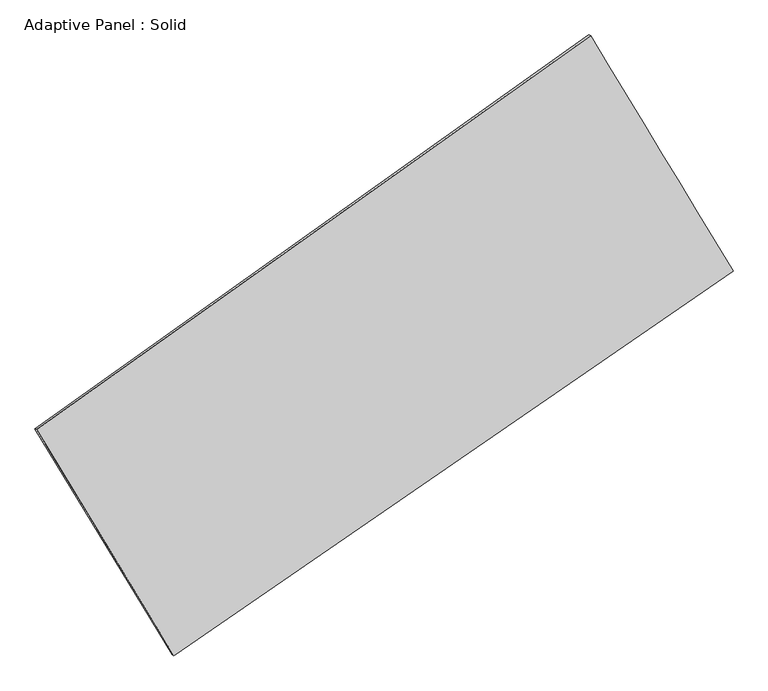
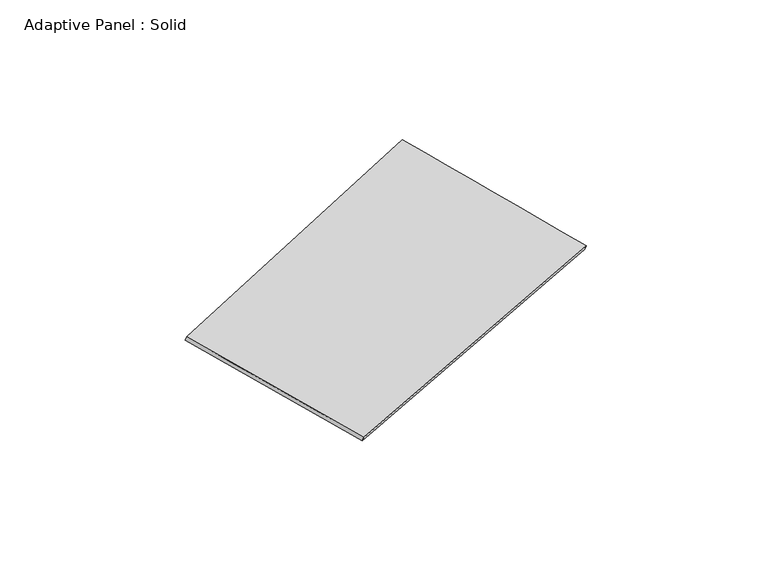
"""IFC4 building model written with IfcOpenShell, lengths in millimetres: plate geometry, Adaptive Panel : Solid."""

from ifc_helpers import new_model, si_unit, frame, origin, place, context, project, spatial, source, transform, mapped, element, save
from ifc_brep_helpers import plane_surface, spline_surface, advanced_brep


def adaptive_panel_solid_70c68a29(model_context):
    return source(origin(), model_context, "Body", "AdvancedBrep", [
        advanced_brep(
        [(1115.2162336, 2566.0466008, 689.173141), (-3609.915499, -796.1118874, 1687.8339752), (-3595.2491431, -802.4919809, 1735.2068832), (1129.8825894, 2559.6665074, 736.546049), (-2438.6752056, -2725.9897821, 1076.95457), (-2424.0088498, -2732.3698756, 1124.327478), (2330.0838928, 555.8064959, 31.1608341), (2344.7502487, 549.4264024, 78.5337421)],
        [
            (0, 1),
            (1, 2),
            (2, 3),
            (3, 0),
            (1, 4),
            (4, 5),
            (5, 2),
            (4, 6),
            (6, 7),
            (7, 5),
            (6, 0),
            (3, 7),
        ],
        [
            plane_surface(frame((-1247.3496327, 884.9673567, 1188.5035581), z_axis=(-0.5196764628686944, 0.8105600557528689, 0.2700532724448798), x_axis=(-0.8029681440309253, -0.5713504541381965, 0.1697080381938575))),
            plane_surface(frame((-3024.2953523, -1761.0508348, 1382.3942726), z_axis=(-0.8151830309393309, -0.5511250456791965, 0.17815108782623088), x_axis=(0.5008133727944757, -0.8252009967486252, -0.2612073517252087))),
            plane_surface(frame((-54.2956564, -1085.0916431, 554.057702), z_axis=(0.50588626008545, -0.820210599203075, -0.2670836288724736), x_axis=(0.8106555623036062, 0.5578823237132748, -0.1777775919358258))),
            plane_surface(frame((1722.6500632, 1560.9265483, 360.1669875), z_axis=(0.81525029681273, 0.5510139670802231, -0.17818687277482276), x_axis=(-0.4980493215386257, 0.8241216339631094, 0.2697599038939803))),
            spline_surface(1, 1, [[(-3595.2491431, -802.4919809, 1735.2068832), (1129.8825894, 2559.6665074, 736.546049)], [(-2424.0088498, -2732.3698756, 1124.327478), (2344.7502487, 549.4264024, 78.5337421)]], [2, 2], [2, 2], [0.0, 1.0], [0.0, 1.0]),
            spline_surface(1, 1, [[(2330.0838928, 555.8064959, 31.1608341), (1115.2162336, 2566.0466008, 689.173141)], [(-2438.6752056, -2725.9897821, 1076.95457), (-3609.915499, -796.1118874, 1687.8339752)]], [2, 2], [2, 2], [0.0, 1.0], [0.0, 1.0]),
        ],
        [
            (0, [[1, 2, 3, 4]]),
            (1, [[5, 6, 7, -2]]),
            (2, [[8, 9, 10, -6]]),
            (3, [[11, -4, 12, -9]]),
            (4, [[-3, -7, -10, -12]]),
            (5, [[-11, -8, -5, -1]]),
        ],
    ),
    ])


if __name__ == "__main__":
    model = new_model("IFC4")
    model_context = context("Model", 3, world=origin())
    ifc_project = project(units=[si_unit("LENGTHUNIT", "METRE", prefix="MILLI")], contexts=[model_context])
    site = spatial("IfcSite", under=ifc_project)
    building = spatial("IfcBuilding", under=site)
    placement = place(None, origin())
    adaptive_panel_solid_shape = adaptive_panel_solid_70c68a29(model_context)
    element("IfcPlate", 1, ObjectType="Adaptive Panel : Solid", at=placement, inside=building, context=model_context, shape_type="MappedRepresentation", body=[
        mapped(adaptive_panel_solid_shape, transform((0.0, 0.0, 0.0), x_axis=(1.0, 0.0, 0.0), y_axis=(0.0, 1.0, 0.0), z_axis=(0.0, 0.0, 1.0))),
    ])
    save(model, "model.ifc")
